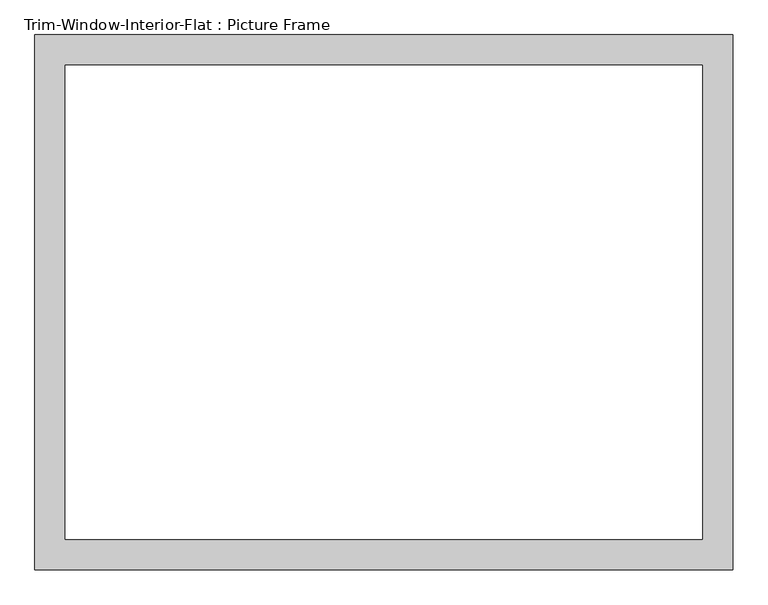
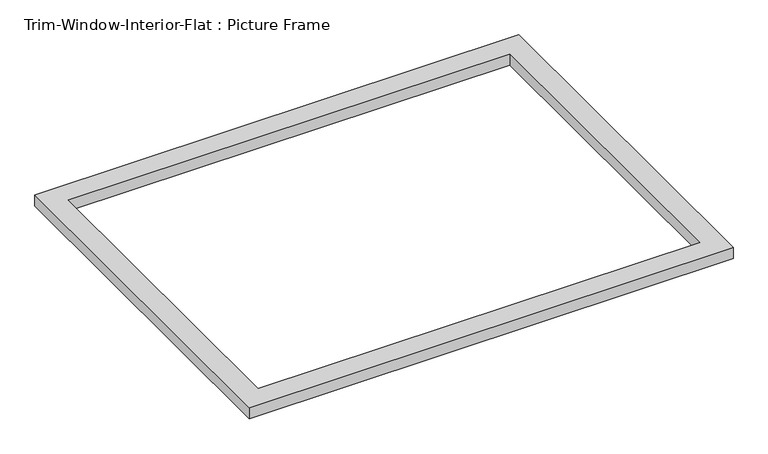
"""IFC4 building model written with IfcOpenShell, lengths in millimetres: proxy geometry, Trim-Window-Interior-Flat : Picture Frame."""

from ifc_helpers import new_model, si_unit, origin, origin_with_axes, place, context, project, spatial, polyline, outline, extrude, source, transform, mapped, element, save


def trim_window_interior_flat_picture_frame_cf1733af(model_context):
    return source(origin(), model_context, "Body", "SweptSolid", [
        extrude(outline(polyline([(654.05, 44.45), (654.05, -958.85), (-654.05, -958.85), (-654.05, 44.45), (654.05, 44.45)]), holes=[polyline([(596.9, -12.7), (-596.9, -12.7), (-596.9, -901.7), (596.9, -901.7), (596.9, -12.7)])]), origin_with_axes(), (0.0, 0.0, 1.0), 31.75),
    ])


if __name__ == "__main__":
    model = new_model("IFC4")
    model_context = context("Model", 3, world=origin())
    ifc_project = project(units=[si_unit("LENGTHUNIT", "METRE", prefix="MILLI")], contexts=[model_context])
    site = spatial("IfcSite", under=ifc_project)
    building = spatial("IfcBuilding", under=site)
    placement = place(None, origin())
    trim_window_interior_flat_picture_frame_shape = trim_window_interior_flat_picture_frame_cf1733af(model_context)
    element("IfcBuildingElementProxy", 1, Name="Trim-Window-Interior-Flat : Picture Frame", ObjectType="Trim-Window-Interior-Flat : Picture Frame", at=placement, inside=building, context=model_context, shape_type="MappedRepresentation", body=[
        mapped(trim_window_interior_flat_picture_frame_shape, transform((0.0, 0.0, 0.0), x_axis=(1.0, 0.0, 0.0), y_axis=(0.0, 1.0, 0.0), z_axis=(0.0, 0.0, 1.0))),
    ])
    save(model, "model.ifc")
